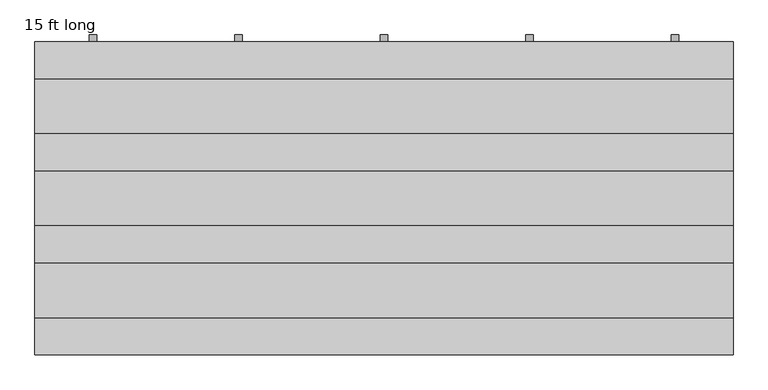
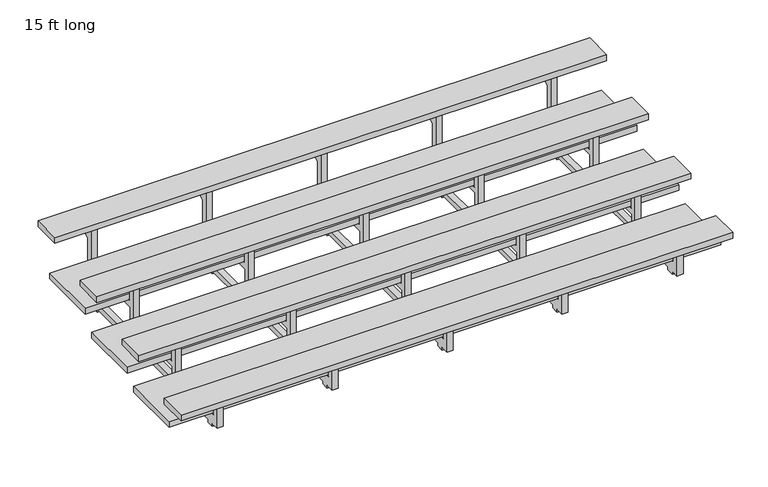
"""IFC4 building model written with IfcOpenShell, lengths in millimetres: proxy geometry, 15 ft long."""

from ifc_helpers import new_model, si_unit, point, frame, frame_2d, origin, place, context, project, spatial, polyline, circle_curve, trimmed, segment, composite_curve, outline, extrude, source, transform, mapped, element, save


def proxy_15_ft_long_8fa7311b(model_context):
    return source(origin(), model_context, "Body", "SweptSolid", [
        extrude(outline(composite_curve([segment(polyline([(1955.8, 730.25), (1955.8, 649.979302), (1995.5131115, 649.979302)]), True, "CONTINUOUS"), segment(trimmed(circle_curve(frame_2d((2044.7, 637.279302)), 50.8), [point((1995.5131115, 649.979302))], [point((2009.936054, 600.237325))], False, "CARTESIAN"), True, "CONTINUOUS"), segment(polyline([(2009.936054, 600.237325), (1955.8, 562.3308519), (1955.8, 205.479302), (1995.5131115, 205.479302)]), True, "CONTINUOUS"), segment(trimmed(circle_curve(frame_2d((2044.7, 192.779302)), 50.8), [point((1995.5131115, 205.479302))], [point((2009.936054, 155.737325))], False, "CARTESIAN"), True, "CONTINUOUS"), segment(polyline([(2009.936054, 155.737325), (1955.8, 117.8308519), (1955.8, 69.85), (2025.65, 69.85), (2034.6302561, 78.8302561), (2052.5907684, 60.8697439), (1998.7092316, 6.9882072), (1980.2974388, 25.4), (1879.6, 25.4), (1879.6, 0.0), (1816.1, 0.0), (1816.1, 25.4), (1435.1, 25.4), (1435.1, 0.0), (1371.6, 0.0), (1371.6, 25.4), (831.85, 25.4), (831.85, 0.0), (768.35, 0.0), (768.35, 25.4), (228.6, 25.4), (228.6, 0.0), (165.1, 0.0), (165.1, 25.4), (95.25, 25.4), (95.25, 273.05), (120.65, 273.05), (146.05, 273.05), (146.05, 114.3), (698.5, 114.3), (698.5, 425.45), (723.9, 425.45), (749.3, 425.45), (749.3, 222.25), (1301.75, 222.25), (1301.75, 577.85), (1327.15, 577.85), (1352.55, 577.85), (1352.55, 374.65), (1905.0, 374.65), (1905.0, 730.25), (1930.4, 730.25), (1955.8, 730.25)]), True, "CONTINUOUS")], self_intersect=False), holes=[polyline([(1352.55, 69.85), (1905.0, 69.85), (1905.0, 323.85), (1352.55, 323.85), (1352.55, 69.85)]), polyline([(749.3, 69.85), (1301.75, 69.85), (1301.75, 171.45), (749.3, 171.45), (749.3, 69.85)])]), frame((-977.9, 0.0, 0.0), z_axis=(1.0, 0.0, 0.0), x_axis=(0.0, 1.0, 0.0)), (0.0, 0.0, 1.0), 50.8),
        extrude(outline(composite_curve([segment(polyline([(1955.8, 730.25), (1955.8, 649.979302), (1995.5131115, 649.979302)]), True, "CONTINUOUS"), segment(trimmed(circle_curve(frame_2d((2044.7, 637.279302)), 50.8), [point((1995.5131115, 649.979302))], [point((2009.936054, 600.237325))], False, "CARTESIAN"), True, "CONTINUOUS"), segment(polyline([(2009.936054, 600.237325), (1955.8, 562.3308519), (1955.8, 205.479302), (1995.5131115, 205.479302)]), True, "CONTINUOUS"), segment(trimmed(circle_curve(frame_2d((2044.7, 192.779302)), 50.8), [point((1995.5131115, 205.479302))], [point((2009.936054, 155.737325))], False, "CARTESIAN"), True, "CONTINUOUS"), segment(polyline([(2009.936054, 155.737325), (1955.8, 117.8308519), (1955.8, 69.85), (2025.65, 69.85), (2034.6302561, 78.8302561), (2052.5907684, 60.8697439), (1998.7092316, 6.9882072), (1980.2974388, 25.4), (1879.6, 25.4), (1879.6, 0.0), (1816.1, 0.0), (1816.1, 25.4), (1435.1, 25.4), (1435.1, 0.0), (1371.6, 0.0), (1371.6, 25.4), (831.85, 25.4), (831.85, 0.0), (768.35, 0.0), (768.35, 25.4), (228.6, 25.4), (228.6, 0.0), (165.1, 0.0), (165.1, 25.4), (95.25, 25.4), (95.25, 273.05), (120.65, 273.05), (146.05, 273.05), (146.05, 114.3), (698.5, 114.3), (698.5, 425.45), (723.9, 425.45), (749.3, 425.45), (749.3, 222.25), (1301.75, 222.25), (1301.75, 577.85), (1327.15, 577.85), (1352.55, 577.85), (1352.55, 374.65), (1905.0, 374.65), (1905.0, 730.25), (1930.4, 730.25), (1955.8, 730.25)]), True, "CONTINUOUS")], self_intersect=False), holes=[polyline([(1352.55, 69.85), (1905.0, 69.85), (1905.0, 323.85), (1352.55, 323.85), (1352.55, 69.85)]), polyline([(749.3, 69.85), (1301.75, 69.85), (1301.75, 171.45), (749.3, 171.45), (749.3, 69.85)])]), frame((927.1, 0.0, 0.0), z_axis=(1.0, 0.0, 0.0), x_axis=(0.0, 1.0, 0.0)), (0.0, 0.0, 1.0), 50.8),
        extrude(outline(composite_curve([segment(polyline([(1955.8, 730.25), (1955.8, 649.979302), (1995.5131115, 649.979302)]), True, "CONTINUOUS"), segment(trimmed(circle_curve(frame_2d((2044.7, 637.279302)), 50.8), [point((1995.5131115, 649.979302))], [point((2009.936054, 600.237325))], False, "CARTESIAN"), True, "CONTINUOUS"), segment(polyline([(2009.936054, 600.237325), (1955.8, 562.3308519), (1955.8, 205.479302), (1995.5131115, 205.479302)]), True, "CONTINUOUS"), segment(trimmed(circle_curve(frame_2d((2044.7, 192.779302)), 50.8), [point((1995.5131115, 205.479302))], [point((2009.936054, 155.737325))], False, "CARTESIAN"), True, "CONTINUOUS"), segment(polyline([(2009.936054, 155.737325), (1955.8, 117.8308519), (1955.8, 69.85), (2025.65, 69.85), (2034.6302561, 78.8302561), (2052.5907684, 60.8697439), (1998.7092316, 6.9882072), (1980.2974388, 25.4), (1879.6, 25.4), (1879.6, 0.0), (1816.1, 0.0), (1816.1, 25.4), (1435.1, 25.4), (1435.1, 0.0), (1371.6, 0.0), (1371.6, 25.4), (831.85, 25.4), (831.85, 0.0), (768.35, 0.0), (768.35, 25.4), (228.6, 25.4), (228.6, 0.0), (165.1, 0.0), (165.1, 25.4), (95.25, 25.4), (95.25, 273.05), (120.65, 273.05), (146.05, 273.05), (146.05, 114.3), (698.5, 114.3), (698.5, 425.45), (723.9, 425.45), (749.3, 425.45), (749.3, 222.25), (1301.75, 222.25), (1301.75, 577.85), (1327.15, 577.85), (1352.55, 577.85), (1352.55, 374.65), (1905.0, 374.65), (1905.0, 730.25), (1930.4, 730.25), (1955.8, 730.25)]), True, "CONTINUOUS")], self_intersect=False), holes=[polyline([(1352.55, 69.85), (1905.0, 69.85), (1905.0, 323.85), (1352.55, 323.85), (1352.55, 69.85)]), polyline([(749.3, 69.85), (1301.75, 69.85), (1301.75, 171.45), (749.3, 171.45), (749.3, 69.85)])]), frame((-25.4, 0.0, 0.0), z_axis=(1.0, 0.0, 0.0), x_axis=(0.0, 1.0, 0.0)), (0.0, 0.0, 1.0), 50.8),
        extrude(outline(composite_curve([segment(polyline([(1955.8, 730.25), (1955.8, 649.979302), (1995.5131115, 649.979302)]), True, "CONTINUOUS"), segment(trimmed(circle_curve(frame_2d((2044.7, 637.279302)), 50.8), [point((1995.5131115, 649.979302))], [point((2009.936054, 600.237325))], False, "CARTESIAN"), True, "CONTINUOUS"), segment(polyline([(2009.936054, 600.237325), (1955.8, 562.3308519), (1955.8, 205.479302), (1995.5131115, 205.479302)]), True, "CONTINUOUS"), segment(trimmed(circle_curve(frame_2d((2044.7, 192.779302)), 50.8), [point((1995.5131115, 205.479302))], [point((2009.936054, 155.737325))], False, "CARTESIAN"), True, "CONTINUOUS"), segment(polyline([(2009.936054, 155.737325), (1955.8, 117.8308519), (1955.8, 69.85), (2025.65, 69.85), (2034.6302561, 78.8302561), (2052.5907684, 60.8697439), (1998.7092316, 6.9882072), (1980.2974388, 25.4), (1879.6, 25.4), (1879.6, 0.0), (1816.1, 0.0), (1816.1, 25.4), (1435.1, 25.4), (1435.1, 0.0), (1371.6, 0.0), (1371.6, 25.4), (831.85, 25.4), (831.85, 0.0), (768.35, 0.0), (768.35, 25.4), (228.6, 25.4), (228.6, 0.0), (165.1, 0.0), (165.1, 25.4), (95.25, 25.4), (95.25, 273.05), (120.65, 273.05), (146.05, 273.05), (146.05, 114.3), (698.5, 114.3), (698.5, 425.45), (723.9, 425.45), (749.3, 425.45), (749.3, 222.25), (1301.75, 222.25), (1301.75, 577.85), (1327.15, 577.85), (1352.55, 577.85), (1352.55, 374.65), (1905.0, 374.65), (1905.0, 730.25), (1930.4, 730.25), (1955.8, 730.25)]), True, "CONTINUOUS")], self_intersect=False), holes=[polyline([(1352.55, 69.85), (1905.0, 69.85), (1905.0, 323.85), (1352.55, 323.85), (1352.55, 69.85)]), polyline([(749.3, 69.85), (1301.75, 69.85), (1301.75, 171.45), (749.3, 171.45), (749.3, 69.85)])]), frame((-1930.4, 0.0, 0.0), z_axis=(1.0, 0.0, 0.0), x_axis=(0.0, 1.0, 0.0)), (0.0, 0.0, 1.0), 50.8),
        extrude(outline(composite_curve([segment(polyline([(1955.8, 730.25), (1955.8, 649.979302), (1995.5131115, 649.979302)]), True, "CONTINUOUS"), segment(trimmed(circle_curve(frame_2d((2044.7, 637.279302)), 50.8), [point((1995.5131115, 649.979302))], [point((2009.936054, 600.237325))], False, "CARTESIAN"), True, "CONTINUOUS"), segment(polyline([(2009.936054, 600.237325), (1955.8, 562.3308519), (1955.8, 205.479302), (1995.5131115, 205.479302)]), True, "CONTINUOUS"), segment(trimmed(circle_curve(frame_2d((2044.7, 192.779302)), 50.8), [point((1995.5131115, 205.479302))], [point((2009.936054, 155.737325))], False, "CARTESIAN"), True, "CONTINUOUS"), segment(polyline([(2009.936054, 155.737325), (1955.8, 117.8308519), (1955.8, 69.85), (2025.65, 69.85), (2034.6302561, 78.8302561), (2052.5907684, 60.8697439), (1998.7092316, 6.9882072), (1980.2974388, 25.4), (1879.6, 25.4), (1879.6, 0.0), (1816.1, 0.0), (1816.1, 25.4), (1435.1, 25.4), (1435.1, 0.0), (1371.6, 0.0), (1371.6, 25.4), (831.85, 25.4), (831.85, 0.0), (768.35, 0.0), (768.35, 25.4), (228.6, 25.4), (228.6, 0.0), (165.1, 0.0), (165.1, 25.4), (95.25, 25.4), (95.25, 273.05), (120.65, 273.05), (146.05, 273.05), (146.05, 114.3), (698.5, 114.3), (698.5, 425.45), (723.9, 425.45), (749.3, 425.45), (749.3, 222.25), (1301.75, 222.25), (1301.75, 577.85), (1327.15, 577.85), (1352.55, 577.85), (1352.55, 374.65), (1905.0, 374.65), (1905.0, 730.25), (1930.4, 730.25), (1955.8, 730.25)]), True, "CONTINUOUS")], self_intersect=False), holes=[polyline([(1352.55, 69.85), (1905.0, 69.85), (1905.0, 323.85), (1352.55, 323.85), (1352.55, 69.85)]), polyline([(749.3, 69.85), (1301.75, 69.85), (1301.75, 171.45), (749.3, 171.45), (749.3, 69.85)])]), frame((1879.6, 0.0, 0.0), z_axis=(1.0, 0.0, 0.0), x_axis=(0.0, 1.0, 0.0)), (0.0, 0.0, 1.0), 50.8),
        extrude(outline(polyline([(-2286.0, 0.0), (-2286.0, 241.3), (2286.0, 241.3), (2286.0, 0.0), (-2286.0, 0.0)])), frame((0.0, 0.0, 273.05), z_axis=(0.0, 0.0, 1.0), x_axis=(1.0, 0.0, 0.0)), (0.0, 0.0, 1.0), 50.8),
        extrude(outline(polyline([(-2286.0, 603.25), (-2286.0, 844.55), (2286.0, 844.55), (2286.0, 603.25), (-2286.0, 603.25)])), frame((0.0, 0.0, 425.45), z_axis=(0.0, 0.0, 1.0), x_axis=(1.0, 0.0, 0.0)), (0.0, 0.0, 1.0), 50.8),
        extrude(outline(polyline([(-2286.0, 1206.5), (-2286.0, 1447.8), (2286.0, 1447.8), (2286.0, 1206.5), (-2286.0, 1206.5)])), frame((0.0, 0.0, 577.85), z_axis=(0.0, 0.0, 1.0), x_axis=(1.0, 0.0, 0.0)), (0.0, 0.0, 1.0), 50.8),
        extrude(outline(polyline([(-2286.0, 1809.75), (-2286.0, 2051.05), (2286.0, 2051.05), (2286.0, 1809.75), (-2286.0, 1809.75)])), frame((0.0, 0.0, 730.25), z_axis=(0.0, 0.0, 1.0), x_axis=(1.0, 0.0, 0.0)), (0.0, 0.0, 1.0), 50.8),
        extrude(outline(polyline([(-2286.0, 168.275), (-2286.0, 676.275), (2286.0, 676.275), (2286.0, 168.275), (-2286.0, 168.275)])), frame((0.0, 0.0, 114.3), z_axis=(0.0, 0.0, 1.0), x_axis=(1.0, 0.0, 0.0)), (0.0, 0.0, 1.0), 50.8),
        extrude(outline(polyline([(-2286.0, 771.525), (-2286.0, 1279.525), (2286.0, 1279.525), (2286.0, 771.525), (-2286.0, 771.525)])), frame((0.0, 0.0, 222.25), z_axis=(0.0, 0.0, 1.0), x_axis=(1.0, 0.0, 0.0)), (0.0, 0.0, 1.0), 50.8),
        extrude(outline(polyline([(-2286.0, 1374.775), (-2286.0, 1882.775), (2286.0, 1882.775), (2286.0, 1374.775), (-2286.0, 1374.775)])), frame((0.0, 0.0, 374.65), z_axis=(0.0, 0.0, 1.0), x_axis=(1.0, 0.0, 0.0)), (0.0, 0.0, 1.0), 50.8),
    ])


if __name__ == "__main__":
    model = new_model("IFC4")
    model_context = context("Model", 3, world=origin())
    ifc_project = project(units=[si_unit("LENGTHUNIT", "METRE", prefix="MILLI")], contexts=[model_context])
    site = spatial("IfcSite", under=ifc_project)
    building = spatial("IfcBuilding", under=site)
    placement = place(None, origin())
    proxy_15_ft_long_shape = proxy_15_ft_long_8fa7311b(model_context)
    element("IfcBuildingElementProxy", 1, Name="15 ft long", ObjectType="15 ft long", at=placement, inside=building, context=model_context, shape_type="MappedRepresentation", body=[
        mapped(proxy_15_ft_long_shape, transform((0.0, 0.0, 0.0), x_axis=(1.0, 0.0, 0.0), y_axis=(0.0, 1.0, 0.0), z_axis=(0.0, 0.0, 1.0))),
    ])
    save(model, "model.ifc")
